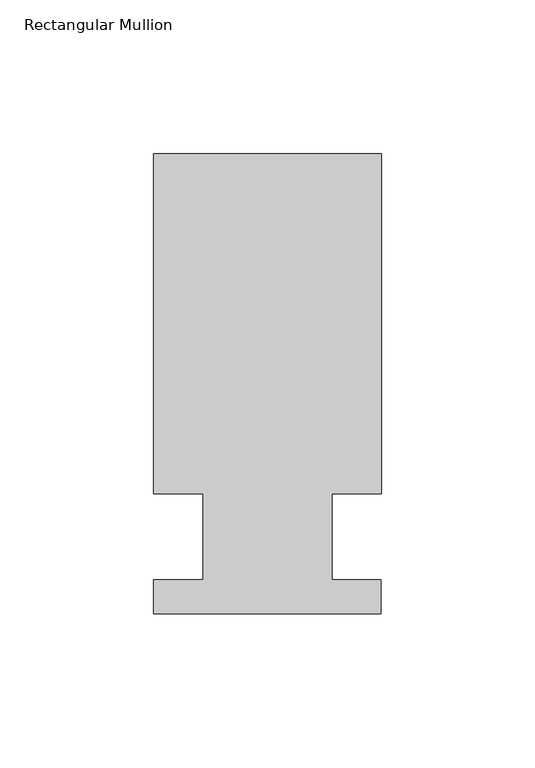
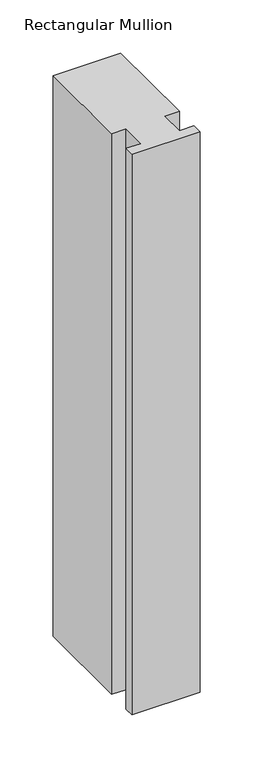
"""IFC4 building model written with IfcOpenShell, lengths in millimetres: member geometry, Rectangular Mullion."""

from ifc_helpers import new_model, si_unit, frame, origin, place, context, project, spatial, polyline, outline, extrude, source, transform, mapped, element, save


def rectangular_mullion_d2711bde(model_context):
    return source(origin(), model_context, "Body", "SweptSolid", [
        extrude(outline(polyline([(-20.9800745, 13.9998907), (-37.0, 13.9998907), (-37.0, 124.5), (37.0, 124.5), (37.0, 13.9998907), (20.9800745, 13.9998907), (20.9800745, -14.0), (36.9800745, -14.0), (36.9800745, -25.0), (-37.0, -25.0), (-37.0, -14.0), (-20.9800745, -14.0), (-20.9800745, 13.9998907)])), frame((0.0, 0.0, -645.5615776), z_axis=(0.0, 0.0, 1.0), x_axis=(1.0, 0.0, 0.0)), (0.0, 0.0, 1.0), 645.5615776),
    ])


if __name__ == "__main__":
    model = new_model("IFC4")
    model_context = context("Model", 3, world=origin())
    ifc_project = project(units=[si_unit("LENGTHUNIT", "METRE", prefix="MILLI")], contexts=[model_context])
    site = spatial("IfcSite", under=ifc_project)
    building = spatial("IfcBuilding", under=site)
    placement = place(None, origin())
    rectangular_mullion_shape = rectangular_mullion_d2711bde(model_context)
    element("IfcMember", 1, ObjectType="Rectangular Mullion", at=placement, inside=building, context=model_context, shape_type="MappedRepresentation", body=[
        mapped(rectangular_mullion_shape, transform((0.0, 0.0, 0.0), x_axis=(1.0, 0.0, 0.0), y_axis=(0.0, 1.0, 0.0), z_axis=(0.0, 0.0, 1.0))),
    ])
    save(model, "model.ifc")
